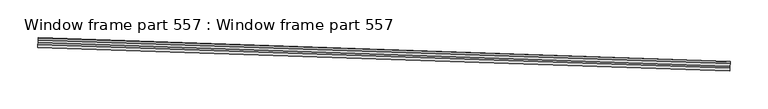
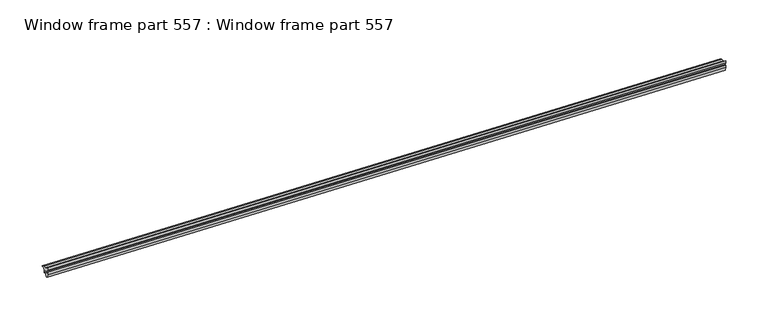
"""IFC4 building model written with IfcOpenShell, lengths in millimetres: proxy geometry, Window frame part 557 : Window frame part 557."""

from ifc_helpers import new_model, si_unit, frame, origin, place, context, project, spatial, polyline, outline, extrude, source, transform, mapped, element, save


def window_frame_part_557_window_frame_part_557_dd028a0c(model_context):
    return source(origin(), model_context, "Body", "SweptSolid", [
        extrude(outline(polyline([(0.0, 0.0), (3.0424414, 0.0), (6.5650371, -1.0030757), (9.0236157, -1.2068613), (13.8440535, 0.4475767), (12.6977105, -2.6286361), (10.4909622, -4.6530777), (8.5973006, -8.8489186), (11.6525264, -5.5414499), (10.5009416, -8.7509441), (7.8684954, -12.8963173), (6.3384221, -13.3021017), (5.5484418, -12.5848291), (5.5603993, -9.5623462), (6.0475807, -7.1530528), (6.8685379, -4.8650257), (5.1149909, -4.235843), (4.1304992, -5.3294931), (5.0212237, -5.7806258), (3.8916585, -6.3618481), (4.4611882, -7.1581087), (2.5326489, -7.8866931), (2.4345688, -5.839036), (2.6360321, -4.727502), (2.7399408, -1.8710024), (1.3246637, -1.2316574), (-0.507247, -0.6548058), (0.0, 0.0)])), frame((34355.0280711, -15457.2474862, 1204.196793), z_axis=(-0.9994149479161238, 0.03420178185141036, 0.0), x_axis=(-0.03219226089180583, -0.9406944609516099, 0.3377241322050205)), (0.0, 0.0, 1.0), 914.4),
    ])


if __name__ == "__main__":
    model = new_model("IFC4")
    model_context = context("Model", 3, world=origin())
    ifc_project = project(units=[si_unit("LENGTHUNIT", "METRE", prefix="MILLI")], contexts=[model_context])
    site = spatial("IfcSite", under=ifc_project)
    building = spatial("IfcBuilding", under=site)
    placement = place(None, origin())
    window_frame_part_557_window_frame_part_557_shape = window_frame_part_557_window_frame_part_557_dd028a0c(model_context)
    element("IfcBuildingElementProxy", 1, Name="Window frame part 557 : Window frame part 557", ObjectType="Window frame part 557 : Window frame part 557", at=placement, inside=building, context=model_context, shape_type="MappedRepresentation", body=[
        mapped(window_frame_part_557_window_frame_part_557_shape, transform((0.0, 0.0, 0.0), x_axis=(1.0, 0.0, 0.0), y_axis=(0.0, 1.0, 0.0), z_axis=(0.0, 0.0, 1.0))),
    ])
    save(model, "model.ifc")
